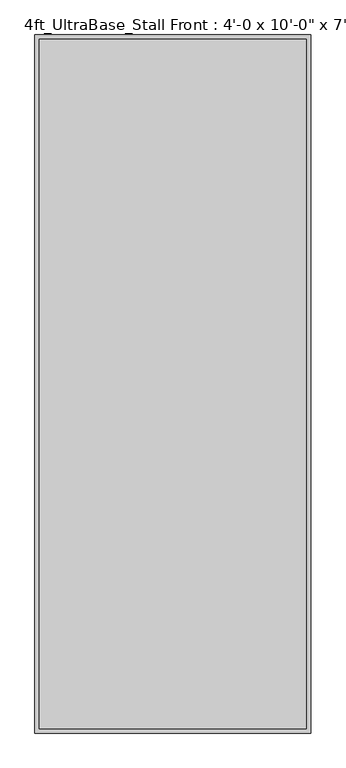
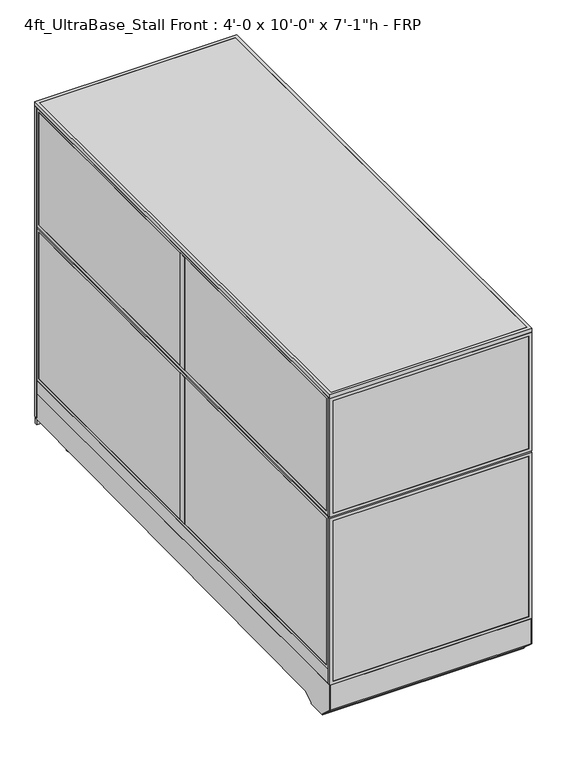
"""IFC4 building model written with IfcOpenShell, lengths in millimetres: proxy geometry."""

import ifcopenshell
import ifcopenshell.guid

model = None  # the IFC model being written
_history = None  # IfcOwnerHistory: only IFC2X3 demands one
_inside = {}  # id of a spatial element -> (the spatial element, [elements in it])
_under = {}  # id of a project, library or spatial element -> (it, [spatial elements below it])
_declared = {}  # id of a project -> (the project, [libraries it declares])
_typed = {}  # id of a type object -> (the type object, [elements of that type])
_made_of = {}  # id of a material, layer set ... -> (it, [elements and type objects made of it])


def new_model(schema):
    """Start an empty IFC model of exactly this schema.

    Asked for "IFC4X3", IfcOpenShell would pick the latest addendum, in which some entities
    have other attributes; the version numbers below select the first issue.
    IFC2X3 requires an IfcOwnerHistory on every rooted entity: one is made here for all.
    """
    global model, _history
    if schema == "IFC4X3":
        model = ifcopenshell.file(schema_version=(4, 3, 0, 0))
    else:
        model = ifcopenshell.file(schema=schema)
    _inside.clear()
    _under.clear()
    _declared.clear()
    _typed.clear()
    _made_of.clear()
    _history = None
    if model.schema == "IFC2X3":
        org = make("IfcOrganization", Name="unknown")
        user = make(
            "IfcPersonAndOrganization",
            ThePerson=make("IfcPerson", FamilyName="unknown"),
            TheOrganization=org,
        )
        app = make(
            "IfcApplication",
            ApplicationDeveloper=org,
            Version="unknown",
            ApplicationFullName="unknown",
            ApplicationIdentifier="unknown",
        )
        _history = make(
            "IfcOwnerHistory",
            OwningUser=user,
            OwningApplication=app,
            ChangeAction="ADDED",
            CreationDate=0,
        )
    return model


def make(cls, **values):
    """One entity of the class cls with the attributes given. An attribute that is None is left unset."""
    return model.create_entity(
        cls, **{name: value for name, value in values.items() if value is not None}
    )


def rooted(cls, **values):
    """An entity with a GlobalId (a new one), such as an element, a storey or a relation."""
    return make(cls, GlobalId=ifcopenshell.guid.new(), OwnerHistory=_history, **values)


def si_unit(unit_type, name, prefix=None):
    """IfcSIUnit, for example si_unit("LENGTHUNIT", "METRE", prefix="MILLI")."""
    return make("IfcSIUnit", UnitType=unit_type, Prefix=prefix, Name=name)


def assignment(units):
    """IfcUnitAssignment: the units of a project."""
    return None if units is None else make("IfcUnitAssignment", Units=units)


def point(xyz):
    """IfcCartesianPoint."""
    return None if xyz is None else make("IfcCartesianPoint", Coordinates=xyz)


def direction(xyz):
    """IfcDirection."""
    return None if xyz is None else make("IfcDirection", DirectionRatios=xyz)


def frame(location, z_axis=None, x_axis=None):
    """IfcAxis2Placement3D, a coordinate frame: its origin and axes. An axis left out is left unset."""
    return make(
        "IfcAxis2Placement3D",
        Location=point(location),
        Axis=direction(z_axis),
        RefDirection=direction(x_axis),
    )


def frame_2d(location, x_axis=None):
    """IfcAxis2Placement2D, a coordinate frame in the plane: its origin and x axis."""
    return make(
        "IfcAxis2Placement2D", Location=point(location), RefDirection=direction(x_axis)
    )


def origin():
    """The frame at (0, 0, 0) with its axes left unset."""
    return frame((0.0, 0.0, 0.0))


def origin_with_axes():
    """The frame at (0, 0, 0) with the z axis (0, 0, 1) and the x axis (1, 0, 0) written out."""
    return frame((0.0, 0.0, 0.0), z_axis=(0.0, 0.0, 1.0), x_axis=(1.0, 0.0, 0.0))


def place(relative_to, where):
    """IfcLocalPlacement: puts the frame where relative to a parent placement (None: the world)."""
    return make(
        "IfcLocalPlacement", PlacementRelTo=relative_to, RelativePlacement=where
    )


def context(
    kind, dimensions, precision=None, world=None, true_north=None, identifier=None
):
    """IfcGeometricRepresentationContext, for example the 3D "Model" context."""
    return make(
        "IfcGeometricRepresentationContext",
        ContextIdentifier=identifier,
        ContextType=kind,
        CoordinateSpaceDimension=dimensions,
        Precision=precision,
        WorldCoordinateSystem=world,
        TrueNorth=true_north,
    )


def project(units=None, contexts=None):
    """IfcProject with its units and contexts."""
    return rooted(
        "IfcProject",
        Name="project",
        RepresentationContexts=contexts,
        UnitsInContext=assignment(units),
    )


def spatial(cls, under=None, at=None, **own):
    """A site, building, storey or space (cls), placed at a placement, below another one or the project."""
    s = rooted(cls, ObjectPlacement=at, **own)
    if under is not None:
        _under.setdefault(under.id(), (under, []))[1].append(s)
    return s


def polyline(points):
    """IfcPolyline through the points."""
    return make("IfcPolyline", Points=[point(p) for p in points])


def circle_curve(where, radius):
    """IfcCircle in the frame where."""
    return make("IfcCircle", Position=where, Radius=radius)


def trimmed(basis, trim1, trim2, sense, master):
    """IfcTrimmedCurve: the piece of a basis curve between two trims."""
    return make(
        "IfcTrimmedCurve",
        BasisCurve=basis,
        Trim1=trim1,
        Trim2=trim2,
        SenseAgreement=sense,
        MasterRepresentation=master,
    )


def segment(curve, same_sense, transition):
    """IfcCompositeCurveSegment."""
    return make(
        "IfcCompositeCurveSegment",
        Transition=transition,
        SameSense=same_sense,
        ParentCurve=curve,
    )


def composite_curve(segments, self_intersect=None):
    """IfcCompositeCurve: segments joined end to end."""
    return make("IfcCompositeCurve", Segments=segments, SelfIntersect=self_intersect)


def outline(outer, holes=None, kind="AREA"):
    """IfcArbitraryClosedProfileDef: a profile drawn as a closed curve; with holes, ...WithVoids."""
    if holes is None:
        return make("IfcArbitraryClosedProfileDef", ProfileType=kind, OuterCurve=outer)
    return make(
        "IfcArbitraryProfileDefWithVoids",
        ProfileType=kind,
        OuterCurve=outer,
        InnerCurves=holes,
    )


def extrude(swept, where, along, depth):
    """IfcExtrudedAreaSolid: the profile swept, set in the frame where, extruded along a direction by depth."""
    return make(
        "IfcExtrudedAreaSolid",
        SweptArea=swept,
        Position=where,
        ExtrudedDirection=direction(along),
        Depth=depth,
    )


def shape(context_of_items, identifier, shape_type, items):
    """IfcShapeRepresentation: the items that make up one representation, for example the "Body"."""
    return make(
        "IfcShapeRepresentation",
        ContextOfItems=context_of_items,
        RepresentationIdentifier=identifier,
        RepresentationType=shape_type,
        Items=items,
    )


def source(mapping_origin, context_of_items, identifier, shape_type, items):
    """IfcRepresentationMap: a shape defined once, which mapped items show again and again."""
    return make(
        "IfcRepresentationMap",
        MappingOrigin=mapping_origin,
        MappedRepresentation=shape(context_of_items, identifier, shape_type, items),
    )


def transform(
    local_origin,
    x_axis=None,
    y_axis=None,
    z_axis=None,
    scale=None,
    scale2=None,
    scale3=None,
    uniform=True,
):
    """IfcCartesianTransformationOperator3D, or its non-uniform kind. x_axis, y_axis, z_axis: its Axis1, 2, 3."""
    if uniform:
        return make(
            "IfcCartesianTransformationOperator3D",
            Axis1=direction(x_axis),
            Axis2=direction(y_axis),
            LocalOrigin=point(local_origin),
            Scale=scale,
            Axis3=direction(z_axis),
        )
    return make(
        "IfcCartesianTransformationOperator3DnonUniform",
        Axis1=direction(x_axis),
        Axis2=direction(y_axis),
        LocalOrigin=point(local_origin),
        Scale=scale,
        Axis3=direction(z_axis),
        Scale2=scale2,
        Scale3=scale3,
    )


def mapped(mapping_source, mapping_target):
    """IfcMappedItem: shows the shape of a source again, moved by a transform."""
    return make(
        "IfcMappedItem", MappingSource=mapping_source, MappingTarget=mapping_target
    )


def made_of(thing, what):
    """Note that an element or type object is made of a material, layer set ...; save() writes the relation."""
    if what is not None:
        _made_of.setdefault(what.id(), (what, []))[1].append(thing)
    return thing


def element(
    cls,
    number,
    at=None,
    inside=None,
    cuts=None,
    type_object=None,
    material=None,
    context=None,
    identifier="Body",
    shape_type=None,
    held_by="IfcProductDefinitionShape",
    body=None,
    shapes=None,
    **own,
):
    """One element of the class cls, such as IfcWall. Its Tag is "e" and its number.

    at: its placement. inside: the storey or other place that contains it. cuts: it is an
    opening in that element (IfcRelVoidsElement). A single representation is given by context,
    identifier, shape_type and body (its items); several are given by shapes. held_by: the class
    of the entity that holds the representations. save() writes the other relations.
    """
    e = rooted(cls, Tag="e%d" % number, ObjectPlacement=at, **own)
    if body is not None:
        shapes = [shape(context, identifier, shape_type, body)]
    if shapes is not None:
        e.Representation = make(held_by, Representations=shapes)
    if inside is not None:
        _inside.setdefault(inside.id(), (inside, []))[1].append(e)
    if cuts is not None:
        rooted(
            "IfcRelVoidsElement", RelatingBuildingElement=cuts, RelatedOpeningElement=e
        )
    if type_object is not None:
        _typed.setdefault(type_object.id(), (type_object, []))[1].append(e)
    return made_of(e, material)


def aggregate(whole, parts):
    """IfcRelAggregates: a whole, such as a stair, and the parts it consists of."""
    return rooted("IfcRelAggregates", RelatingObject=whole, RelatedObjects=parts)


def save(model, path):
    """Write the relations noted so far, then the file.

    IfcRelAggregates (storeys below a building ...), IfcRelContainedInSpatialStructure (elements
    in a storey), IfcRelDefinesByType, IfcRelAssociatesMaterial and IfcRelDeclares: one each for
    every whole, place, type object, material and project.
    """
    for whole, parts in _under.values():
        aggregate(whole, parts)
    for where, things in _inside.values():
        rooted(
            "IfcRelContainedInSpatialStructure",
            RelatedElements=things,
            RelatingStructure=where,
        )
    for kind, things in _typed.values():
        rooted("IfcRelDefinesByType", RelatedObjects=things, RelatingType=kind)
    for what, things in _made_of.values():
        rooted("IfcRelAssociatesMaterial", RelatedObjects=things, RelatingMaterial=what)
    for by, libraries in _declared.values():
        rooted("IfcRelDeclares", RelatingContext=by, RelatedDefinitions=libraries)
    model.write(path)


def proxy_5f8b2544(model_context):
    return source(origin(), model_context, "Body", "SweptSolid", [
        extrude(outline(polyline([(1158.8810162, 3065.4625), (1158.8810162, 3049.5875), (365.1189838, 3049.5875), (365.1189838, 3065.4625), (1158.8810162, 3065.4625)])), frame((0.0, 0.0, 212.725), z_axis=(0.0, 0.0, 1.0), x_axis=(1.0, 0.0, 0.0)), (0.0, 0.0, 1.0), 1860.55),
        extrude(outline(polyline([(193.675, 1177.9310162), (2092.325, 1177.9310162), (2092.325, 346.0689838), (193.675, 346.0689838), (193.675, 1177.9310162)]), holes=[polyline([(2073.275, 365.1189838), (2073.275, 1158.8810162), (212.725, 1158.8810162), (212.725, 365.1189838), (2073.275, 365.1189838)])]), frame((0.0, 3048.0, 0.0), z_axis=(0.0, 1.0, 0.0), x_axis=(0.0, 0.0, 1.0)), (0.0, 0.0, 1.0), 19.05),
        extrude(outline(polyline([(152.4, 1219.2), (2133.6, 1219.2), (2133.6, 304.8), (152.4, 304.8), (152.4, 1219.2)]), holes=[polyline([(2114.55, 1200.15), (171.45, 1200.15), (171.45, 323.85), (2114.55, 323.85), (2114.55, 1200.15)])]), frame((0.0, 3048.0, 0.0), z_axis=(0.0, 1.0, 0.0), x_axis=(0.0, 0.0, 1.0)), (0.0, 0.0, 1.0), 19.05),
        extrude(outline(polyline([(152.4, 0.0), (152.4, 304.8), (2133.6, 304.8), (2133.6, 0.0), (152.4, 0.0)]), holes=[polyline([(171.45, 19.05), (2114.55, 19.05), (2114.55, 285.75), (171.45, 285.75), (171.45, 19.05)])]), frame((0.0, 3048.0, 0.0), z_axis=(0.0, 1.0, 0.0), x_axis=(0.0, 0.0, 1.0)), (0.0, 0.0, 1.0), 19.05),
        extrude(outline(polyline([(285.75, 3065.4625), (285.75, 3049.5875), (19.05, 3049.5875), (19.05, 3065.4625), (285.75, 3065.4625)])), frame((0.0, 0.0, 171.45), z_axis=(0.0, 0.0, 1.0), x_axis=(1.0, 0.0, 0.0)), (0.0, 0.0, 1.0), 1943.1),
        extrude(outline(composite_curve([segment(trimmed(circle_curve(frame_2d((1110.8236459, 1614.3757271)), 38.1), [point((1072.7236459, 1614.3757271))], [point((1148.9236459, 1614.3757271))], False, "CARTESIAN"), True, "CONTINUOUS"), segment(trimmed(circle_curve(frame_2d((1110.8236459, 1614.3757271)), 38.1), [point((1148.9236459, 1614.3757271))], [point((1072.7236459, 1614.3757271))], False, "CARTESIAN"), True, "CONTINUOUS")], self_intersect=False)), frame((0.0, 0.0, 115.403341), z_axis=(0.0, 0.0, 1.0), x_axis=(1.0, 0.0, 0.0)), (0.0, 0.0, 1.0), 12.9784433),
        extrude(outline(composite_curve([segment(trimmed(circle_curve(frame_2d((1110.8236459, 1614.3757271)), 12.7), [point((1098.1236459, 1614.3757271))], [point((1123.5236459, 1614.3757271))], False, "CARTESIAN"), True, "CONTINUOUS"), segment(trimmed(circle_curve(frame_2d((1110.8236459, 1614.3757271)), 12.7), [point((1123.5236459, 1614.3757271))], [point((1098.1236459, 1614.3757271))], False, "CARTESIAN"), True, "CONTINUOUS")], self_intersect=False)), frame((0.0, 0.0, 6.35), z_axis=(0.0, 0.0, 1.0), x_axis=(1.0, 0.0, 0.0)), (0.0, 0.0, 1.0), 109.053341),
        extrude(outline(composite_curve([segment(trimmed(circle_curve(frame_2d((1110.8236459, 1614.3757271)), 25.4), [point((1085.4236459, 1614.3757271))], [point((1136.2236459, 1614.3757271))], False, "CARTESIAN"), True, "CONTINUOUS"), segment(trimmed(circle_curve(frame_2d((1110.8236459, 1614.3757271)), 25.4), [point((1136.2236459, 1614.3757271))], [point((1085.4236459, 1614.3757271))], False, "CARTESIAN"), True, "CONTINUOUS")], self_intersect=False)), origin_with_axes(), (0.0, 0.0, 1.0), 6.35),
        extrude(outline(composite_curve([segment(trimmed(circle_curve(frame_2d((120.2236459, 1614.3757271)), 38.1), [point((82.1236459, 1614.3757271))], [point((158.3236459, 1614.3757271))], False, "CARTESIAN"), True, "CONTINUOUS"), segment(trimmed(circle_curve(frame_2d((120.2236459, 1614.3757271)), 38.1), [point((158.3236459, 1614.3757271))], [point((82.1236459, 1614.3757271))], False, "CARTESIAN"), True, "CONTINUOUS")], self_intersect=False)), frame((0.0, 0.0, 115.403341), z_axis=(0.0, 0.0, 1.0), x_axis=(1.0, 0.0, 0.0)), (0.0, 0.0, 1.0), 12.9784433),
        extrude(outline(composite_curve([segment(trimmed(circle_curve(frame_2d((120.2236459, 1614.3757271)), 12.7), [point((107.5236459, 1614.3757271))], [point((132.9236459, 1614.3757271))], False, "CARTESIAN"), True, "CONTINUOUS"), segment(trimmed(circle_curve(frame_2d((120.2236459, 1614.3757271)), 12.7), [point((132.9236459, 1614.3757271))], [point((107.5236459, 1614.3757271))], False, "CARTESIAN"), True, "CONTINUOUS")], self_intersect=False)), frame((0.0, 0.0, 6.35), z_axis=(0.0, 0.0, 1.0), x_axis=(1.0, 0.0, 0.0)), (0.0, 0.0, 1.0), 109.053341),
        extrude(outline(composite_curve([segment(trimmed(circle_curve(frame_2d((120.2236459, 1614.3757271)), 25.4), [point((94.8236459, 1614.3757271))], [point((145.6236459, 1614.3757271))], False, "CARTESIAN"), True, "CONTINUOUS"), segment(trimmed(circle_curve(frame_2d((120.2236459, 1614.3757271)), 25.4), [point((145.6236459, 1614.3757271))], [point((94.8236459, 1614.3757271))], False, "CARTESIAN"), True, "CONTINUOUS")], self_intersect=False)), origin_with_axes(), (0.0, 0.0, 1.0), 6.35),
        extrude(outline(composite_curve([segment(trimmed(circle_curve(frame_2d((1110.8236459, 2896.8018426)), 38.1), [point((1072.7236459, 2896.8018426))], [point((1148.9236459, 2896.8018426))], False, "CARTESIAN"), True, "CONTINUOUS"), segment(trimmed(circle_curve(frame_2d((1110.8236459, 2896.8018426)), 38.1), [point((1148.9236459, 2896.8018426))], [point((1072.7236459, 2896.8018426))], False, "CARTESIAN"), True, "CONTINUOUS")], self_intersect=False)), frame((0.0, 0.0, 130.9806848), z_axis=(0.0, 0.0, 1.0), x_axis=(1.0, 0.0, 0.0)), (0.0, 0.0, 1.0), 12.9784433),
        extrude(outline(composite_curve([segment(trimmed(circle_curve(frame_2d((1110.8236459, 2896.8018426)), 12.7), [point((1098.1236459, 2896.8018426))], [point((1123.5236459, 2896.8018426))], False, "CARTESIAN"), True, "CONTINUOUS"), segment(trimmed(circle_curve(frame_2d((1110.8236459, 2896.8018426)), 12.7), [point((1123.5236459, 2896.8018426))], [point((1098.1236459, 2896.8018426))], False, "CARTESIAN"), True, "CONTINUOUS")], self_intersect=False)), frame((0.0, 0.0, 6.35), z_axis=(0.0, 0.0, 1.0), x_axis=(1.0, 0.0, 0.0)), (0.0, 0.0, 1.0), 124.6306848),
        extrude(outline(composite_curve([segment(trimmed(circle_curve(frame_2d((1110.8236459, 2896.8018426)), 25.4), [point((1085.4236459, 2896.8018426))], [point((1136.2236459, 2896.8018426))], False, "CARTESIAN"), True, "CONTINUOUS"), segment(trimmed(circle_curve(frame_2d((1110.8236459, 2896.8018426)), 25.4), [point((1136.2236459, 2896.8018426))], [point((1085.4236459, 2896.8018426))], False, "CARTESIAN"), True, "CONTINUOUS")], self_intersect=False)), origin_with_axes(), (0.0, 0.0, 1.0), 6.35),
        extrude(outline(composite_curve([segment(trimmed(circle_curve(frame_2d((120.2236459, 2896.8018426)), 38.1), [point((82.1236459, 2896.8018426))], [point((158.3236459, 2896.8018426))], False, "CARTESIAN"), True, "CONTINUOUS"), segment(trimmed(circle_curve(frame_2d((120.2236459, 2896.8018426)), 38.1), [point((158.3236459, 2896.8018426))], [point((82.1236459, 2896.8018426))], False, "CARTESIAN"), True, "CONTINUOUS")], self_intersect=False)), frame((0.0, 0.0, 130.9806848), z_axis=(0.0, 0.0, 1.0), x_axis=(1.0, 0.0, 0.0)), (0.0, 0.0, 1.0), 12.9784433),
        extrude(outline(composite_curve([segment(trimmed(circle_curve(frame_2d((120.2236459, 2896.8018426)), 12.7), [point((107.5236459, 2896.8018426))], [point((132.9236459, 2896.8018426))], False, "CARTESIAN"), True, "CONTINUOUS"), segment(trimmed(circle_curve(frame_2d((120.2236459, 2896.8018426)), 12.7), [point((132.9236459, 2896.8018426))], [point((107.5236459, 2896.8018426))], False, "CARTESIAN"), True, "CONTINUOUS")], self_intersect=False)), frame((0.0, 0.0, 6.35), z_axis=(0.0, 0.0, 1.0), x_axis=(1.0, 0.0, 0.0)), (0.0, 0.0, 1.0), 124.6306848),
        extrude(outline(composite_curve([segment(trimmed(circle_curve(frame_2d((120.2236459, 2896.8018426)), 25.4), [point((94.8236459, 2896.8018426))], [point((145.6236459, 2896.8018426))], False, "CARTESIAN"), True, "CONTINUOUS"), segment(trimmed(circle_curve(frame_2d((120.2236459, 2896.8018426)), 25.4), [point((145.6236459, 2896.8018426))], [point((94.8236459, 2896.8018426))], False, "CARTESIAN"), True, "CONTINUOUS")], self_intersect=False)), origin_with_axes(), (0.0, 0.0, 1.0), 6.35),
        extrude(outline(composite_curve([segment(trimmed(circle_curve(frame_2d((120.2236459, 331.9496116)), 38.1), [point((82.1236459, 331.9496116))], [point((158.3236459, 331.9496116))], False, "CARTESIAN"), True, "CONTINUOUS"), segment(trimmed(circle_curve(frame_2d((120.2236459, 331.9496116)), 38.1), [point((158.3236459, 331.9496116))], [point((82.1236459, 331.9496116))], False, "CARTESIAN"), True, "CONTINUOUS")], self_intersect=False)), frame((0.0, 0.0, 103.9931848), z_axis=(0.0, 0.0, 1.0), x_axis=(1.0, 0.0, 0.0)), (0.0, 0.0, 1.0), 12.9784433),
        extrude(outline(composite_curve([segment(trimmed(circle_curve(frame_2d((120.2236459, 331.9496116)), 12.7), [point((107.5236459, 331.9496116))], [point((132.9236459, 331.9496116))], False, "CARTESIAN"), True, "CONTINUOUS"), segment(trimmed(circle_curve(frame_2d((120.2236459, 331.9496116)), 12.7), [point((132.9236459, 331.9496116))], [point((107.5236459, 331.9496116))], False, "CARTESIAN"), True, "CONTINUOUS")], self_intersect=False)), frame((0.0, 0.0, 6.35), z_axis=(0.0, 0.0, 1.0), x_axis=(1.0, 0.0, 0.0)), (0.0, 0.0, 1.0), 97.6431848),
        extrude(outline(composite_curve([segment(trimmed(circle_curve(frame_2d((120.2236459, 331.9496116)), 25.4), [point((94.8236459, 331.9496116))], [point((145.6236459, 331.9496116))], False, "CARTESIAN"), True, "CONTINUOUS"), segment(trimmed(circle_curve(frame_2d((120.2236459, 331.9496116)), 25.4), [point((145.6236459, 331.9496116))], [point((94.8236459, 331.9496116))], False, "CARTESIAN"), True, "CONTINUOUS")], self_intersect=False)), origin_with_axes(), (0.0, 0.0, 1.0), 6.35),
        extrude(outline(composite_curve([segment(trimmed(circle_curve(frame_2d((1110.8236459, 331.9496116)), 38.1), [point((1072.7236459, 331.9496116))], [point((1148.9236459, 331.9496116))], False, "CARTESIAN"), True, "CONTINUOUS"), segment(trimmed(circle_curve(frame_2d((1110.8236459, 331.9496116)), 38.1), [point((1148.9236459, 331.9496116))], [point((1072.7236459, 331.9496116))], False, "CARTESIAN"), True, "CONTINUOUS")], self_intersect=False)), frame((0.0, 0.0, 103.9931848), z_axis=(0.0, 0.0, 1.0), x_axis=(1.0, 0.0, 0.0)), (0.0, 0.0, 1.0), 12.9784433),
        extrude(outline(composite_curve([segment(trimmed(circle_curve(frame_2d((1110.8236459, 331.9496116)), 12.7), [point((1098.1236459, 331.9496116))], [point((1123.5236459, 331.9496116))], False, "CARTESIAN"), True, "CONTINUOUS"), segment(trimmed(circle_curve(frame_2d((1110.8236459, 331.9496116)), 12.7), [point((1123.5236459, 331.9496116))], [point((1098.1236459, 331.9496116))], False, "CARTESIAN"), True, "CONTINUOUS")], self_intersect=False)), frame((0.0, 0.0, 6.35), z_axis=(0.0, 0.0, 1.0), x_axis=(1.0, 0.0, 0.0)), (0.0, 0.0, 1.0), 97.6431848),
        extrude(outline(composite_curve([segment(trimmed(circle_curve(frame_2d((1110.8236459, 331.9496116)), 25.4), [point((1085.4236459, 331.9496116))], [point((1136.2236459, 331.9496116))], False, "CARTESIAN"), True, "CONTINUOUS"), segment(trimmed(circle_curve(frame_2d((1110.8236459, 331.9496116)), 25.4), [point((1136.2236459, 331.9496116))], [point((1085.4236459, 331.9496116))], False, "CARTESIAN"), True, "CONTINUOUS")], self_intersect=False)), origin_with_axes(), (0.0, 0.0, 1.0), 6.35),
        extrude(outline(polyline([(-19.05, 304.8), (3054.35, 304.8), (3054.35, 143.3232444), (238.733612, 113.4956461), (175.3928625, 76.9258473), (175.3928625, 69.0977369), (59.8970382, 69.0977369), (59.8970382, 73.3553835), (-19.05, 144.439616), (-19.05, 304.8)])), frame((0.0, 0.0, 0.0), z_axis=(1.0, 0.0, 0.0), x_axis=(0.0, 1.0, 0.0)), (0.0, 0.0, 1.0), 3.175),
        extrude(outline(polyline([(-19.05, 304.8), (3054.35, 304.8), (3054.35, 143.3232444), (238.733612, 113.4956461), (175.3928625, 76.9258473), (175.3928625, 69.0977369), (59.8970382, 69.0977369), (59.8970382, 73.3553835), (-19.05, 144.439616), (-19.05, 304.8)])), frame((1216.025, 0.0, 0.0), z_axis=(1.0, 0.0, 0.0), x_axis=(0.0, 1.0, 0.0)), (0.0, 0.0, 1.0), 3.175),
        extrude(outline(polyline([(3054.35, 104.78262), (3054.35, 144.8342358), (238.733612, 113.4956461), (175.3928625, 76.9258473), (175.3928625, 69.0977369), (59.8970382, 69.0977369), (59.8970382, 73.3553835), (-19.05, 144.439616), (-19.05, 304.8), (-10.9434074, 304.8), (-10.9434074, 236.4996867), (-5.6766373, 236.4996867), (-2.6025146, 148.4683295), (68.18203, 84.7336392), (68.18203, 79.4164869), (167.804636, 79.4164869), (167.804636, 86.088281), (237.0845322, 126.0870477), (3067.05, 157.8890047), (3067.05, 104.78262), (3054.35, 104.78262)])), frame((3.175, 0.0, 0.0), z_axis=(1.0, 0.0, 0.0), x_axis=(0.0, 1.0, 0.0)), (0.0, 0.0, 1.0), 1212.85),
        extrude(outline(polyline([(1366.8375, 1219.2), (1366.8375, 0.0), (304.8, 0.0), (304.8, 1219.2), (1366.8375, 1219.2)]), holes=[polyline([(323.85, 1200.15), (323.85, 19.05), (1347.7875, 19.05), (1347.7875, 1200.15), (323.85, 1200.15)])]), frame((0.0, -19.05, 0.0), z_axis=(0.0, 1.0, 0.0), x_axis=(0.0, 0.0, 1.0)), (0.0, 0.0, 1.0), 19.05),
        extrude(outline(polyline([(1376.3625, 1219.2), (2133.6, 1219.2), (2133.6, 0.0), (1376.3625, 0.0), (1376.3625, 1219.2)]), holes=[polyline([(2114.55, 1200.15), (1395.4125, 1200.15), (1395.4125, 19.05), (2114.55, 19.05), (2114.55, 1200.15)])]), frame((0.0, -19.05, 0.0), z_axis=(0.0, 1.0, 0.0), x_axis=(0.0, 0.0, 1.0)), (0.0, 0.0, 1.0), 19.05),
        extrude(outline(polyline([(1200.15, -17.4625), (19.05, -17.4625), (19.05, -1.5875), (1200.15, -1.5875), (1200.15, -17.4625)])), frame((0.0, 0.0, 323.85), z_axis=(0.0, 0.0, 1.0), x_axis=(1.0, 0.0, 0.0)), (0.0, 0.0, 1.0), 1023.9375),
        extrude(outline(polyline([(1200.15, -17.4625), (19.05, -17.4625), (19.05, -1.5875), (1200.15, -1.5875), (1200.15, -17.4625)])), frame((0.0, 0.0, 1395.4125), z_axis=(0.0, 0.0, 1.0), x_axis=(1.0, 0.0, 0.0)), (0.0, 0.0, 1.0), 719.1375),
        extrude(outline(polyline([(1200.15, 1498.6), (1200.15, 1549.4), (1219.2, 1549.4), (1219.2, 1498.6), (1200.15, 1498.6)])), frame((0.0, 0.0, 1395.4125), z_axis=(0.0, 0.0, 1.0), x_axis=(1.0, 0.0, 0.0)), (0.0, 0.0, 1.0), 719.1375),
        extrude(outline(polyline([(1200.15, 1498.6), (1200.15, 1549.4), (1219.2, 1549.4), (1219.2, 1498.6), (1200.15, 1498.6)])), frame((0.0, 0.0, 412.75), z_axis=(0.0, 0.0, 1.0), x_axis=(1.0, 0.0, 0.0)), (0.0, 0.0, 1.0), 935.0375),
        extrude(outline(polyline([(1200.15, 0.0), (1200.15, 3048.0), (1219.2, 3048.0), (1219.2, 0.0), (1200.15, 0.0)])), frame((0.0, 0.0, 304.8), z_axis=(0.0, 0.0, 1.0), x_axis=(1.0, 0.0, 0.0)), (0.0, 0.0, 1.0), 88.9),
        extrude(outline(polyline([(3048.0, 393.7), (0.0, 393.7), (0.0, 1366.8375), (3048.0, 1366.8375), (3048.0, 393.7)]), holes=[polyline([(3028.95, 1347.7875), (19.05, 1347.7875), (19.05, 412.75), (3028.95, 412.75), (3028.95, 1347.7875)])]), frame((1200.15, 0.0, 0.0), z_axis=(1.0, 0.0, 0.0), x_axis=(0.0, 1.0, 0.0)), (0.0, 0.0, 1.0), 19.05),
        extrude(outline(polyline([(0.0, 1376.3625), (0.0, 2133.6), (3048.0, 2133.6), (3048.0, 1376.3625), (0.0, 1376.3625)]), holes=[polyline([(19.05, 2114.55), (19.05, 1395.4125), (3028.95, 1395.4125), (3028.95, 2114.55), (19.05, 2114.55)])]), frame((1200.15, 0.0, 0.0), z_axis=(1.0, 0.0, 0.0), x_axis=(0.0, 1.0, 0.0)), (0.0, 0.0, 1.0), 19.05),
        extrude(outline(polyline([(1201.7375, 19.05), (1201.7375, 3028.95), (1217.6125, 3028.95), (1217.6125, 19.05), (1201.7375, 19.05)])), frame((0.0, 0.0, 412.75), z_axis=(0.0, 0.0, 1.0), x_axis=(1.0, 0.0, 0.0)), (0.0, 0.0, 1.0), 935.0375),
        extrude(outline(polyline([(1201.7375, 19.05), (1201.7375, 3028.95), (1217.6125, 3028.95), (1217.6125, 19.05), (1201.7375, 19.05)])), frame((0.0, 0.0, 1395.4125), z_axis=(0.0, 0.0, 1.0), x_axis=(1.0, 0.0, 0.0)), (0.0, 0.0, 1.0), 719.1375),
        extrude(outline(polyline([(0.0, 1498.6), (0.0, 1549.4), (19.05, 1549.4), (19.05, 1498.6), (0.0, 1498.6)])), frame((0.0, 0.0, 1395.4125), z_axis=(0.0, 0.0, 1.0), x_axis=(1.0, 0.0, 0.0)), (0.0, 0.0, 1.0), 719.1375),
        extrude(outline(polyline([(0.0, 1498.6), (0.0, 1549.4), (19.05, 1549.4), (19.05, 1498.6), (0.0, 1498.6)])), frame((0.0, 0.0, 412.75), z_axis=(0.0, 0.0, 1.0), x_axis=(1.0, 0.0, 0.0)), (0.0, 0.0, 1.0), 935.0375),
        extrude(outline(polyline([(0.0, 0.0), (0.0, 3048.0), (19.05, 3048.0), (19.05, 0.0), (0.0, 0.0)])), frame((0.0, 0.0, 304.8), z_axis=(0.0, 0.0, 1.0), x_axis=(1.0, 0.0, 0.0)), (0.0, 0.0, 1.0), 88.9),
        extrude(outline(polyline([(3048.0, 393.7), (0.0, 393.7), (0.0, 1366.8375), (3048.0, 1366.8375), (3048.0, 393.7)]), holes=[polyline([(3028.95, 1347.7875), (19.05, 1347.7875), (19.05, 412.75), (3028.95, 412.75), (3028.95, 1347.7875)])]), frame((0.0, 0.0, 0.0), z_axis=(1.0, 0.0, 0.0), x_axis=(0.0, 1.0, 0.0)), (0.0, 0.0, 1.0), 19.05),
        extrude(outline(polyline([(0.0, 1376.3625), (0.0, 2133.6), (3048.0, 2133.6), (3048.0, 1376.3625), (0.0, 1376.3625)]), holes=[polyline([(19.05, 2114.55), (19.05, 1395.4125), (3028.95, 1395.4125), (3028.95, 2114.55), (19.05, 2114.55)])]), frame((0.0, 0.0, 0.0), z_axis=(1.0, 0.0, 0.0), x_axis=(0.0, 1.0, 0.0)), (0.0, 0.0, 1.0), 19.05),
        extrude(outline(polyline([(1.5875, 19.05), (1.5875, 3028.95), (17.4625, 3028.95), (17.4625, 19.05), (1.5875, 19.05)])), frame((0.0, 0.0, 412.75), z_axis=(0.0, 0.0, 1.0), x_axis=(1.0, 0.0, 0.0)), (0.0, 0.0, 1.0), 935.0375),
        extrude(outline(polyline([(1.5875, 19.05), (1.5875, 3028.95), (17.4625, 3028.95), (17.4625, 19.05), (1.5875, 19.05)])), frame((0.0, 0.0, 1395.4125), z_axis=(0.0, 0.0, 1.0), x_axis=(1.0, 0.0, 0.0)), (0.0, 0.0, 1.0), 719.1375),
        extrude(outline(polyline([(1187.45, 622.3), (1187.45, 609.6), (31.75, 609.6), (31.75, 622.3), (1187.45, 622.3)])), frame((0.0, 0.0, 152.4), z_axis=(0.0, 0.0, 1.0), x_axis=(1.0, 0.0, 0.0)), (0.0, 0.0, 1.0), 152.4),
        extrude(outline(polyline([(1187.45, 622.3), (1187.45, 12.7), (31.75, 12.7), (31.75, 622.3), (1187.45, 622.3)])), frame((0.0, 0.0, 304.8), z_axis=(0.0, 0.0, 1.0), x_axis=(1.0, 0.0, 0.0)), (0.0, 0.0, 1.0), 12.7),
        extrude(outline(polyline([(1219.2, 3067.05), (1219.2, -19.05), (0.0, -19.05), (0.0, 3067.05), (1219.2, 3067.05)]), holes=[polyline([(1200.15, 3048.0), (19.05, 3048.0), (19.05, 0.0), (1200.15, 0.0), (1200.15, 3048.0)])]), frame((0.0, 0.0, 2133.6), z_axis=(0.0, 0.0, 1.0), x_axis=(1.0, 0.0, 0.0)), (0.0, 0.0, 1.0), 25.4),
        extrude(outline(polyline([(19.05, 3048.0), (1200.15, 3048.0), (1200.15, 0.0), (19.05, 0.0), (19.05, 3048.0)])), frame((0.0, 0.0, 2133.6), z_axis=(0.0, 0.0, 1.0), x_axis=(1.0, 0.0, 0.0)), (0.0, 0.0, 1.0), 25.4),
    ])


if __name__ == "__main__":
    model = new_model("IFC4")
    model_context = context("Model", 3, world=origin())
    ifc_project = project(units=[si_unit("LENGTHUNIT", "METRE", prefix="MILLI")], contexts=[model_context])
    site = spatial("IfcSite", under=ifc_project)
    building = spatial("IfcBuilding", under=site)
    placement = place(None, origin())
    proxy_shape = proxy_5f8b2544(model_context)
    element("IfcBuildingElementProxy", 1, Name="4ft_UltraBase_Stall Front : 4'-0 x 10'-0\" x 7'-1\"h - FRP", ObjectType="4ft_UltraBase_Stall Front : 4'-0 x 10'-0\" x 7'-1\"h - FRP", at=placement, inside=building, context=model_context, shape_type="MappedRepresentation", body=[
        mapped(proxy_shape, transform((0.0, 0.0, 0.0), x_axis=(1.0, 0.0, 0.0), y_axis=(0.0, 1.0, 0.0), z_axis=(0.0, 0.0, 1.0))),
    ])
    save(model, "model.ifc")
